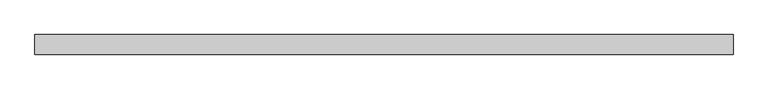
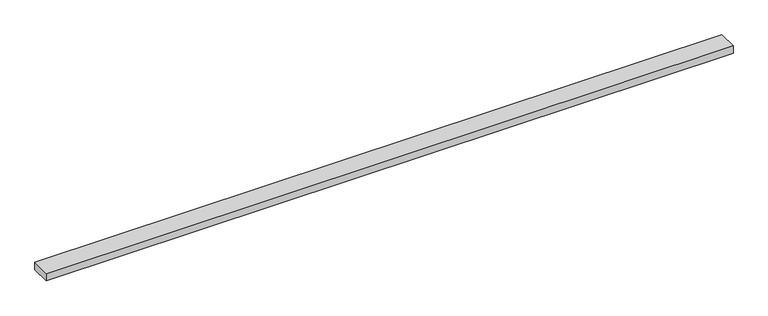
"""IFC4 building model written with IfcOpenShell, lengths in millimetres: beam geometry."""

from ifc_helpers import new_model, si_unit, frame, origin, place, context, project, spatial, polyline, outline, extrude, source, transform, mapped, element, save


def beam_947d5c18(model_context):
    return source(origin(), model_context, "Body", "SweptSolid", [
        extrude(outline(polyline([(800.0, -22.5), (-800.0, -22.5), (-800.0, 22.5), (800.0, 22.5), (800.0, -22.5)])), frame((0.0, 0.0, -9.0), z_axis=(0.0, 0.0, 1.0), x_axis=(1.0, 0.0, 0.0)), (0.0, 0.0, 1.0), 18.0),
    ])


if __name__ == "__main__":
    model = new_model("IFC4")
    model_context = context("Model", 3, world=origin())
    ifc_project = project(units=[si_unit("LENGTHUNIT", "METRE", prefix="MILLI")], contexts=[model_context])
    site = spatial("IfcSite", under=ifc_project)
    building = spatial("IfcBuilding", under=site)
    placement = place(None, origin())
    beam_shape = beam_947d5c18(model_context)
    element("IfcBeam", 1, at=placement, inside=building, context=model_context, shape_type="MappedRepresentation", body=[
        mapped(beam_shape, transform((0.0, 0.0, 0.0), x_axis=(1.0, 0.0, 0.0), y_axis=(0.0, 1.0, 0.0), z_axis=(0.0, 0.0, 1.0))),
    ])
    save(model, "model.ifc")
